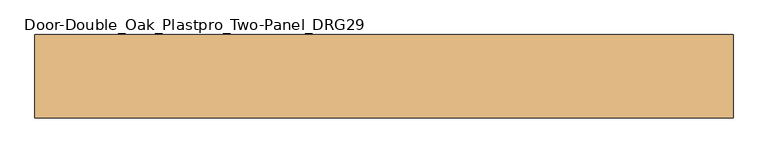
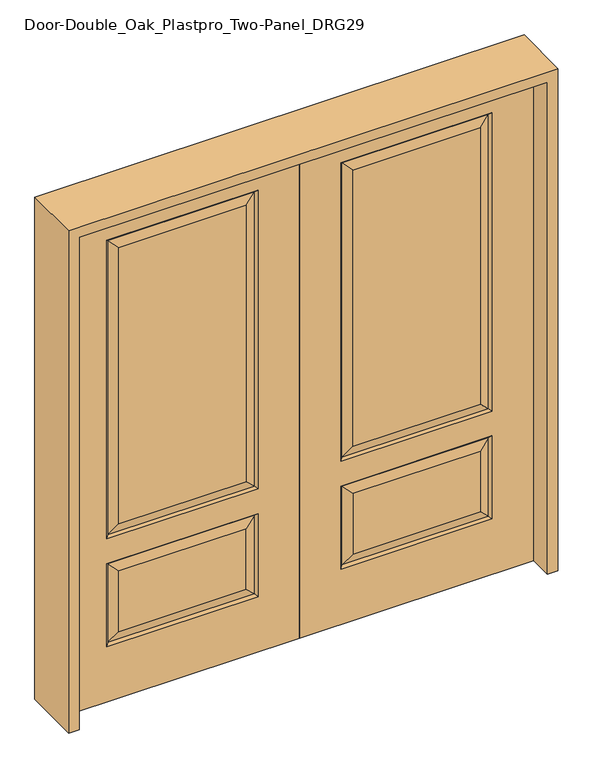
"""IFC4 building model written with IfcOpenShell, lengths in millimetres: door geometry, Door-Double_Oak_Plastpro_Two-Panel_DRG29."""

from ifc_helpers import new_model, si_unit, frame, origin, place, context, project, spatial, polyline, outline, extrude, faceted_brep, source, transform, mapped, element, save


def door_double_oak_plastpro_two_panel_drg29_67743139(model_context):
    return source(origin(), model_context, "Body", "SolidModel", [
        faceted_brep([(743.3796986, -11.6572439, 562.4046986), (171.0203014, -11.6572439, 562.4046986), (208.0775452, -20.6375, 525.3474548), (706.3224548, -20.6375, 525.3474548), (208.0775452, -20.6375, 274.7525452), (171.0203014, -11.6572439, 237.6953014), (0.0, 20.6375, 0.0), (914.4, 20.6375, 0.0), (914.4, -20.6375, 0.0), (0.0, -20.6375, 0.0), (0.0, 20.6375, 2032.0), (0.0, -20.6375, 2032.0), (914.4, -20.6375, 2032.0), (162.0400452, -20.6375, 228.7150452), (162.0400452, -20.6375, 571.3849548), (752.3599548, -20.6375, 571.3849548), (752.3599548, -20.6375, 228.7150452), (162.0400452, -20.6375, 673.2150452), (162.0400452, -20.6375, 1904.8849548), (752.3599548, -20.6375, 1904.8849548), (752.3599548, -20.6375, 673.2150452), (706.3224548, -20.6375, 274.7525452), (706.3224548, -20.6375, 719.2525452), (706.3224548, -20.6375, 1858.8474548), (208.0775452, -20.6375, 1858.8474548), (208.0775452, -20.6375, 719.2525452), (706.3224548, 20.6375, 274.7525452), (706.3224548, 20.6375, 525.3474548), (743.3796986, 11.6572439, 562.4046986), (743.3796986, 11.6572439, 237.6953014), (752.3599548, 20.6375, 571.3849548), (752.3599548, 20.6375, 228.7150452), (171.0203014, 11.6572439, 237.6953014), (171.0203014, 11.6572439, 562.4046986), (208.0775452, 20.6375, 525.3474548), (208.0775452, 20.6375, 274.7525452), (171.0203014, 11.6572439, 682.1953014), (208.0775452, 20.6375, 719.2525452), (706.3224548, 20.6375, 719.2525452), (743.3796986, 11.6572439, 682.1953014), (706.3224548, 20.6375, 1858.8474548), (743.3796986, 11.6572439, 1895.9046986), (162.0400452, 20.6375, 571.3849548), (743.3796986, -11.6572439, 237.6953014), (914.4, 20.6375, 2032.0), (162.0400452, 20.6375, 228.7150452), (752.3599548, 20.6375, 673.2150452), (752.3599548, 20.6375, 1904.8849548), (162.0400452, 20.6375, 1904.8849548), (162.0400452, 20.6375, 673.2150452), (208.0775452, 20.6375, 1858.8474548), (171.0203014, 11.6572439, 1895.9046986), (171.0203014, -11.6572439, 682.1953014), (743.3796986, -11.6572439, 682.1953014), (743.3796986, -11.6572439, 1895.9046986), (171.0203014, -11.6572439, 1895.9046986)], [[[0, 1, 2, 3]], [[4, 2, 1, 5]], [[6, 7, 8, 9]], [[10, 6, 9, 11]], [[11, 9, 8, 12], [13, 14, 15, 16], [17, 18, 19, 20]], [[21, 3, 2, 4]], [[22, 23, 24, 25]], [[26, 27, 28, 29]], [[29, 28, 30, 31]], [[32, 33, 34, 35]], [[36, 37, 38, 39]], [[38, 40, 41, 39]], [[28, 33, 42, 30]], [[16, 15, 0, 43]], [[15, 14, 1, 0]], [[12, 8, 7, 44]], [[44, 7, 6, 10], [31, 30, 42, 45], [46, 47, 48, 49]], [[37, 50, 40, 38]], [[35, 34, 27, 26]], [[10, 11, 12, 44]], [[49, 48, 51, 36]], [[29, 31, 45, 32]], [[36, 51, 50, 37]], [[45, 42, 33, 32]], [[39, 46, 49, 36]], [[39, 41, 47, 46]], [[32, 35, 26, 29]], [[27, 34, 33, 28]], [[52, 17, 20, 53]], [[20, 19, 54, 53]], [[52, 55, 18, 17]], [[53, 22, 25, 52]], [[25, 24, 55, 52]], [[53, 54, 23, 22]], [[5, 13, 16, 43]], [[5, 1, 14, 13]], [[43, 21, 4, 5]], [[43, 0, 3, 21]], [[19, 18, 55, 54]], [[54, 55, 24, 23]], [[40, 50, 51, 41]], [[41, 51, 48, 47]]]),
        faceted_brep([(-743.3796986, -11.6572439, 562.4046986), (-706.3224548, -20.6375, 525.3474548), (-208.0775452, -20.6375, 525.3474548), (-171.0203014, -11.6572439, 562.4046986), (-208.0775452, -20.6375, 274.7525452), (-171.0203014, -11.6572439, 237.6953014), (0.0, 20.6375, 0.0), (0.0, -20.6375, 0.0), (-914.4, -20.6375, 0.0), (-914.4, 20.6375, 0.0), (0.0, 20.6375, 2032.0), (0.0, -20.6375, 2032.0), (-706.3224548, -20.6375, 719.2525452), (-208.0775452, -20.6375, 719.2525452), (-208.0775452, -20.6375, 1858.8474548), (-706.3224548, -20.6375, 1858.8474548), (-914.4, -20.6375, 2032.0), (-162.0400452, -20.6375, 673.2150452), (-752.3599548, -20.6375, 673.2150452), (-752.3599548, -20.6375, 1904.8849548), (-162.0400452, -20.6375, 1904.8849548), (-162.0400452, -20.6375, 228.7150452), (-752.3599548, -20.6375, 228.7150452), (-752.3599548, -20.6375, 571.3849548), (-162.0400452, -20.6375, 571.3849548), (-706.3224548, -20.6375, 274.7525452), (-706.3224548, 20.6375, 274.7525452), (-743.3796986, 11.6572439, 237.6953014), (-743.3796986, 11.6572439, 562.4046986), (-706.3224548, 20.6375, 525.3474548), (-752.3599548, 20.6375, 228.7150452), (-752.3599548, 20.6375, 571.3849548), (-171.0203014, 11.6572439, 237.6953014), (-208.0775452, 20.6375, 274.7525452), (-208.0775452, 20.6375, 525.3474548), (-171.0203014, 11.6572439, 562.4046986), (-171.0203014, 11.6572439, 682.1953014), (-743.3796986, 11.6572439, 682.1953014), (-706.3224548, 20.6375, 719.2525452), (-208.0775452, 20.6375, 719.2525452), (-743.3796986, 11.6572439, 1895.9046986), (-706.3224548, 20.6375, 1858.8474548), (-162.0400452, 20.6375, 571.3849548), (-743.3796986, -11.6572439, 237.6953014), (-914.4, 20.6375, 2032.0), (-162.0400452, 20.6375, 228.7150452), (-752.3599548, 20.6375, 673.2150452), (-162.0400452, 20.6375, 673.2150452), (-162.0400452, 20.6375, 1904.8849548), (-752.3599548, 20.6375, 1904.8849548), (-208.0775452, 20.6375, 1858.8474548), (-171.0203014, 11.6572439, 1895.9046986), (-171.0203014, -11.6572439, 682.1953014), (-743.3796986, -11.6572439, 682.1953014), (-743.3796986, -11.6572439, 1895.9046986), (-171.0203014, -11.6572439, 1895.9046986)], [[[0, 1, 2, 3]], [[4, 5, 3, 2]], [[6, 7, 8, 9]], [[10, 11, 7, 6]], [[12, 13, 14, 15]], [[11, 16, 8, 7], [17, 18, 19, 20], [21, 22, 23, 24]], [[25, 4, 2, 1]], [[26, 27, 28, 29]], [[27, 30, 31, 28]], [[32, 33, 34, 35]], [[36, 37, 38, 39]], [[38, 37, 40, 41]], [[28, 31, 42, 35]], [[22, 43, 0, 23]], [[23, 0, 3, 24]], [[16, 44, 9, 8]], [[33, 26, 29, 34]], [[44, 10, 6, 9], [30, 45, 42, 31], [46, 47, 48, 49]], [[39, 38, 41, 50]], [[10, 44, 16, 11]], [[47, 36, 51, 48]], [[27, 32, 45, 30]], [[36, 39, 50, 51]], [[45, 32, 35, 42]], [[37, 36, 47, 46]], [[37, 46, 49, 40]], [[32, 27, 26, 33]], [[29, 28, 35, 34]], [[52, 53, 18, 17]], [[18, 53, 54, 19]], [[52, 17, 20, 55]], [[53, 52, 13, 12]], [[13, 52, 55, 14]], [[53, 12, 15, 54]], [[5, 43, 22, 21]], [[5, 21, 24, 3]], [[43, 5, 4, 25]], [[43, 25, 1, 0]], [[19, 54, 55, 20]], [[54, 15, 14, 55]], [[41, 40, 51, 50]], [[40, 49, 48, 51]]]),
        extrude(outline(polyline([(2073.275, -955.675), (0.0, -955.675), (0.0, -914.4), (2032.0, -914.4), (2032.0, 914.4), (0.0, 914.4), (0.0, 955.675), (2073.275, 955.675), (2073.275, -955.675)])), frame((0.0, -114.3, 0.0), z_axis=(0.0, 1.0, 0.0), x_axis=(0.0, 0.0, 1.0)), (0.0, 0.0, 1.0), 228.6),
    ])


if __name__ == "__main__":
    model = new_model("IFC4")
    model_context = context("Model", 3, world=origin())
    ifc_project = project(units=[si_unit("LENGTHUNIT", "METRE", prefix="MILLI")], contexts=[model_context])
    site = spatial("IfcSite", under=ifc_project)
    building = spatial("IfcBuilding", under=site)
    placement = place(None, origin())
    door_double_oak_plastpro_two_panel_drg29_shape = door_double_oak_plastpro_two_panel_drg29_67743139(model_context)
    element("IfcDoor", 1, ObjectType="Door-Double_Oak_Plastpro_Two-Panel_DRG29", at=placement, inside=building, context=model_context, shape_type="MappedRepresentation", body=[
        mapped(door_double_oak_plastpro_two_panel_drg29_shape, transform((0.0, 0.0, 0.0), x_axis=(1.0, 0.0, 0.0), y_axis=(0.0, 1.0, 0.0), z_axis=(0.0, 0.0, 1.0))),
    ])
    save(model, "model.ifc")
